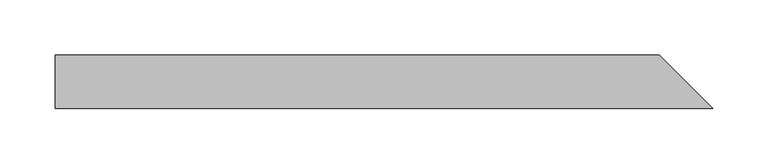
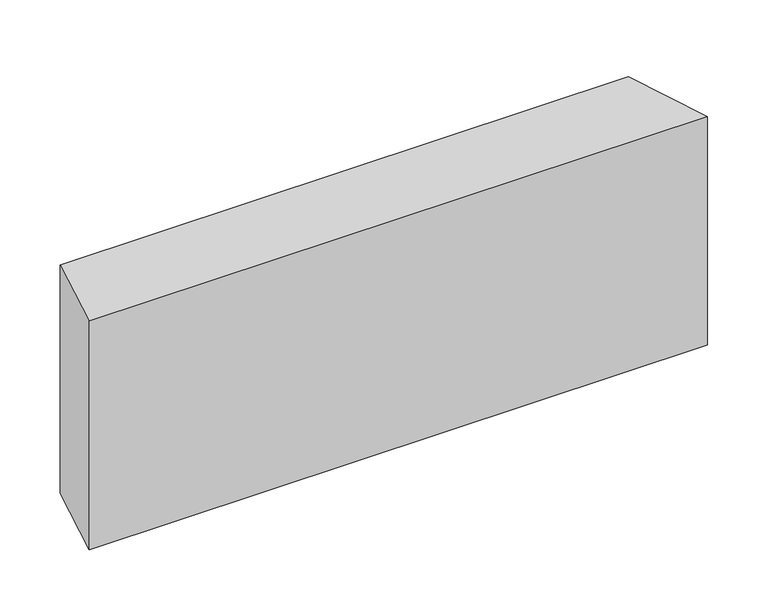
"""IFC4 building model written with IfcOpenShell, lengths in millimetres: beam geometry."""

from ifc_helpers import new_model, si_unit, origin, place, context, project, spatial, faceted_brep, source, transform, mapped, element, save


def beam_e14d4d65(model_context):
    return source(origin(), model_context, "Body", "Brep", [
        faceted_brep([(308.3931272, -24.0, 101.7703666), (-284.3931272, -24.0, 101.7703666), (-284.3931272, -24.0, -129.7703666), (308.3931272, -24.0, -129.7703666), (260.3931272, 24.0, 129.7703666), (260.3931272, 24.0, -101.7703666), (-284.3931272, 24.0, -101.7703666), (-284.3931272, 24.0, 129.7703666)], [[[0, 1, 2, 3]], [[4, 5, 6, 7]], [[5, 4, 0, 3]], [[6, 5, 3, 2]], [[7, 6, 2, 1]], [[4, 7, 1, 0]]]),
    ])


if __name__ == "__main__":
    model = new_model("IFC4")
    model_context = context("Model", 3, world=origin())
    ifc_project = project(units=[si_unit("LENGTHUNIT", "METRE", prefix="MILLI")], contexts=[model_context])
    site = spatial("IfcSite", under=ifc_project)
    building = spatial("IfcBuilding", under=site)
    placement = place(None, origin())
    beam_shape = beam_e14d4d65(model_context)
    element("IfcBeam", 1, at=placement, inside=building, context=model_context, shape_type="MappedRepresentation", body=[
        mapped(beam_shape, transform((0.0, 0.0, 0.0), x_axis=(1.0, 0.0, 0.0), y_axis=(0.0, 1.0, 0.0), z_axis=(0.0, 0.0, 1.0))),
    ])
    save(model, "model.ifc")
